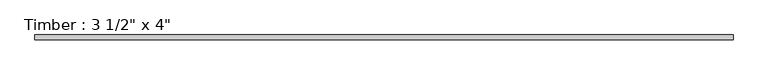
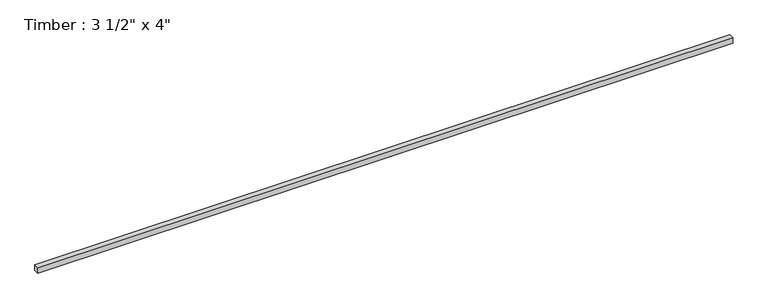
"""IFC4 building model written with IfcOpenShell, lengths in millimetres: beam geometry."""

from ifc_helpers import new_model, si_unit, frame, origin, place, context, project, spatial, polyline, outline, extrude, source, transform, mapped, element, save


def beam_3f8ca406(model_context):
    return source(origin(), model_context, "Body", "SweptSolid", [
        extrude(outline(polyline([(6106.5127828, 44.45), (6106.5127828, -44.45), (-6106.5127828, -44.45), (-6106.5127828, 44.45), (6106.5127828, 44.45)])), frame((0.0, 0.0, -50.8), z_axis=(0.0, 0.0, 1.0), x_axis=(1.0, 0.0, 0.0)), (0.0, 0.0, 1.0), 101.6),
    ])


if __name__ == "__main__":
    model = new_model("IFC4")
    model_context = context("Model", 3, world=origin())
    ifc_project = project(units=[si_unit("LENGTHUNIT", "METRE", prefix="MILLI")], contexts=[model_context])
    site = spatial("IfcSite", under=ifc_project)
    building = spatial("IfcBuilding", under=site)
    placement = place(None, origin())
    beam_shape = beam_3f8ca406(model_context)
    element("IfcBeam", 1, ObjectType="Timber : 3 1/2\" x 4\"", at=placement, inside=building, context=model_context, shape_type="MappedRepresentation", body=[
        mapped(beam_shape, transform((0.0, 0.0, 0.0), x_axis=(1.0, 0.0, 0.0), y_axis=(0.0, 1.0, 0.0), z_axis=(0.0, 0.0, 1.0))),
    ])
    save(model, "model.ifc")
